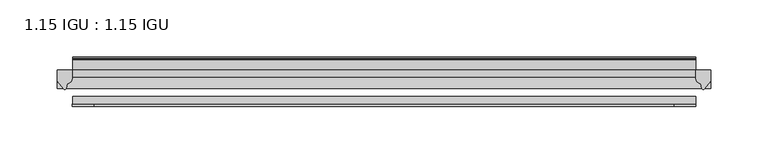
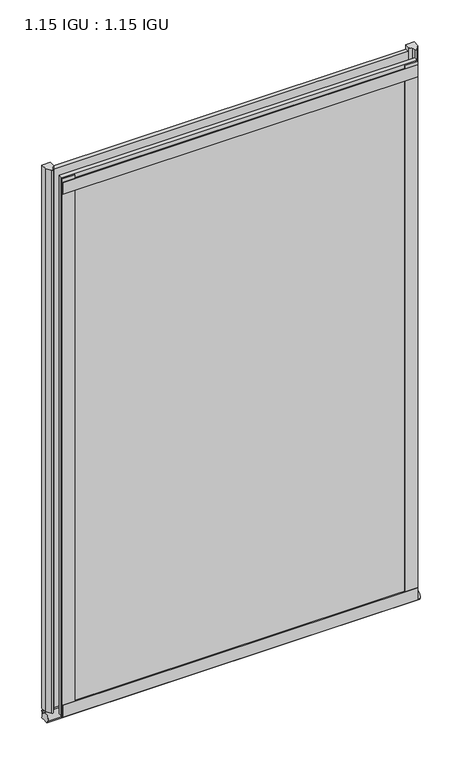
"""IFC4 building model written with IfcOpenShell, lengths in millimetres: plate geometry, 1.15 IGU : 1.15 IGU."""

from ifc_helpers import new_model, si_unit, point, frame, frame_2d, origin, place, context, project, spatial, polyline, circle_curve, ellipse_curve, trimmed, segment, composite_curve, outline, extrude, source, transform, mapped, element, save
from ifc_brep_helpers import plane_surface, revolved_surface, extruded_surface, advanced_brep


def plate_1_15_igu_1_15_igu_f3e3d183(model_context):
    return source(origin(), model_context, "Body", "SolidModel", [
        extrude(outline(polyline([(303.3484536, 0.0), (303.3484536, -6.2992), (-239.2642536, -6.2992), (-239.2642536, 0.0), (303.3484536, 0.0)])), frame((0.0, 0.0, -19.05), z_axis=(0.0, 0.0, 1.0), x_axis=(1.0, 0.0, 0.0)), (0.0, 0.0, 1.0), 869.9368072),
        extrude(outline(polyline([(-239.2642536, -23.1648), (303.3484536, -23.1648), (303.3484536, -29.464), (-239.2642536, -29.464), (-239.2642536, -23.1648)])), frame((0.0, 0.0, -19.05), z_axis=(0.0, 0.0, 1.0), x_axis=(1.0, 0.0, 0.0)), (0.0, 0.0, 1.0), 869.9368072),
        advanced_brep(
        [(316.0484536, -2.9334208, -29.3692082), (316.0484536, -15.7658436, -30.8313288), (316.0484536, -6.7904952, -34.925), (316.0484536, 0.0, -34.925), (316.0484536, 0.0, -22.225), (316.0484536, -2.5187477, -22.225), (-252.5484536, -2.9073519, -29.3720514), (-252.5484536, -2.5187477, -22.225), (-252.5484536, 0.0, -22.225), (-252.5484536, 0.0, -34.925), (-252.5484536, -6.7904952, -34.925), (-252.5484536, -15.7658436, -30.8313288)],
        [
            (0, 1, ellipse_curve(frame((316.0484536, -9.5065066, -28.575), z_axis=(1.0, 0.0, 0.0), x_axis=(0.0, 0.0, -1.0)), 6.9638038, 6.6162554)),
            (1, 2, ellipse_curve(frame((316.0484536, -9.5065066, -28.575), z_axis=(1.0, 0.0, 0.0), x_axis=(0.0, 0.0, -1.0)), 6.9638038, 6.6162554)),
            (2, 3),
            (3, 4, circle_curve(frame((316.0484536, 24.1576838, -28.575), z_axis=(-1.0, 0.0, 0.0), x_axis=(0.0, 0.0, 1.0)), 24.9783143)),
            (4, 5),
            (5, 0, circle_curve(frame((316.0484536, -68.4358767, -22.225), z_axis=(-1.0, 0.0, 0.0), x_axis=(0.0, 0.0, 1.0)), 65.917129)),
            (6, 7, circle_curve(frame((-252.5484536, -68.4358767, -22.225), z_axis=(1.0, 0.0, 0.0), x_axis=(0.0, 0.0, 1.0)), 65.917129)),
            (7, 8),
            (8, 9, circle_curve(frame((-252.5484536, 24.1576838, -28.575), z_axis=(1.0, 0.0, 0.0), x_axis=(0.0, 0.0, 1.0)), 24.9783143)),
            (9, 10),
            (10, 11, ellipse_curve(frame((-252.5484536, -9.5065066, -28.575), z_axis=(-1.0, 0.0, 0.0), x_axis=(0.0, 0.0, -1.0)), 6.9638038, 6.6162554)),
            (11, 6, ellipse_curve(frame((-252.5484536, -9.5065066, -28.575), z_axis=(-1.0, 0.0, 0.0), x_axis=(0.0, 0.0, -1.0)), 6.9638038, 6.6162554)),
            (0, 6),
            (11, 1),
            (10, 2),
            (9, 3),
            (8, 4),
            (7, 5),
        ],
        [
            plane_surface(frame((316.0484536, 0.0, -28.575), z_axis=(1.0, 0.0, 0.0), x_axis=(0.0, 1.0, 0.0))),
            plane_surface(frame((-252.5484536, 0.0, -28.575), z_axis=(-1.0, 0.0, 0.0), x_axis=(0.0, 1.0, 0.0))),
            extruded_surface(trimmed(ellipse_curve(frame((-252.5484536, -9.5065066, -28.575), z_axis=(1.0, 0.0, 0.0), x_axis=(0.0, 0.0, -1.0)), 6.9638038, 6.6162554), [point((-252.5484536, -2.9334208, -29.3692082))], [point((-252.5484536, -15.7658436, -30.8313288))], True, "CARTESIAN"), (568.5969072, 0.0, 0.0), 568.5969072),
            extruded_surface(trimmed(ellipse_curve(frame((-252.5484536, -9.5065066, -28.575), z_axis=(1.0, 0.0, 0.0), x_axis=(0.0, 0.0, -1.0)), 6.9638038, 6.6162554), [point((-252.5484536, -15.7658436, -30.8313288))], [point((-252.5484536, -6.7904952, -34.925))], True, "CARTESIAN"), (568.5969072, 0.0, 0.0), 568.5969072),
            plane_surface(frame((316.0484536, -6.7904952, -34.925), z_axis=(0.0, 0.0, -1.0), x_axis=(-1.0, 0.0, 0.0))),
            revolved_surface(polyline([(-252.54845360000002, 24.1576838, -3.5966856999999983), (316.0484536, 24.1576838, -3.5966856999999983)]), (316.0484536, 24.1576838, -28.575), (-1.0, 0.0, 0.0)),
            plane_surface(frame((316.0484536, 0.0, -22.225), z_axis=(0.0, 0.0, 1.0), x_axis=(-1.0, 0.0, 0.0))),
            revolved_surface(polyline([(-252.54845360000002, -68.4358767, 43.692129), (316.0484536, -68.4358767, 43.692129)]), (316.0484536, -68.4358767, -22.225), (-1.0, 0.0, 0.0)),
        ],
        [
            (0, [[1, 2, 3, 4, 5, 6]]),
            (1, [[7, 8, 9, 10, 11, 12]]),
            (2, [[-1, 13, -12, 14]]),
            (3, [[-2, -14, -11, 15]]),
            (4, [[-3, -15, -10, 16]]),
            (5, [[-4, -16, -9, 17]]),
            (6, [[-5, -17, -8, 18]]),
            (7, [[-6, -18, -7, -13]]),
        ],
    ),
        extrude(outline(composite_curve([segment(polyline([(316.0484536, 0.0), (316.0484536, -9.7395025), (310.4822227, -16.3730781)]), True, "CONTINUOUS"), segment(trimmed(circle_curve(frame_2d((309.5285477, -15.7728374)), 1.1268473), [point((310.4822227, -16.3730781))], [point((308.4275948, -16.0130197))], False, "CARTESIAN"), True, "CONTINUOUS"), segment(polyline([(308.4275948, -16.0130197), (307.4474033, -11.7377885)]), True, "CONTINUOUS"), segment(trimmed(circle_curve(frame_2d((307.3199515, -7.7683362)), 3.9714979), [point((307.4474033, -11.7377885))], [point((303.3486322, -7.8060014))], False, "CARTESIAN"), True, "CONTINUOUS"), segment(polyline([(303.3486322, -7.8060014), (303.3486322, 0.0), (316.0484536, 0.0)]), True, "CONTINUOUS")], self_intersect=False)), frame((0.0, 0.0, -19.05), z_axis=(0.0, 0.0, 1.0), x_axis=(1.0, 0.0, 0.0)), (0.0, 0.0, 1.0), 877.0742072),
        extrude(outline(composite_curve([segment(polyline([(-239.8484536, 8.8e-06), (-239.8484536, -7.7683362)]), True, "CONTINUOUS"), segment(trimmed(circle_curve(frame_2d((-243.8199515, -7.7683362)), 3.9714979), [point((-239.8484536, -7.7683362))], [point((-243.9474033, -11.7377885))], False, "CARTESIAN"), True, "CONTINUOUS"), segment(polyline([(-243.9474033, -11.7377885), (-244.9274379, -16.012436)]), True, "CONTINUOUS"), segment(trimmed(circle_curve(frame_2d((-246.0286469, -15.7723555)), 1.1270758), [point((-244.9274379, -16.012436))], [point((-246.9824863, -16.372764))], False, "CARTESIAN"), True, "CONTINUOUS"), segment(polyline([(-246.9824863, -16.372764), (-252.5484536, -9.7395025), (-252.5484536, 8.8e-06), (-239.8484536, 8.8e-06)]), True, "CONTINUOUS")], self_intersect=False)), frame((0.0, 0.0, -19.05), z_axis=(0.0, 0.0, 1.0), x_axis=(1.0, 0.0, 0.0)), (0.0, 0.0, 1.0), 877.0742072),
        extrude(outline(polyline([(-239.2642536, -31.75), (-239.2642536, -29.464), (303.3484536, -29.464), (303.3484536, -31.75), (-239.2642536, -31.75)])), frame((0.0, 0.0, -19.05), z_axis=(0.0, 0.0, 1.0), x_axis=(1.0, 0.0, 0.0)), (0.0, 0.0, 1.0), 19.05),
        extrude(outline(composite_curve([segment(polyline([(8.509, 840.7300284), (8.509, 838.6980284), (6.35, 838.6980284), (6.35, 833.3640284), (8.9492698, 833.3640284)]), True, "CONTINUOUS"), segment(trimmed(circle_curve(frame_2d((8.208689, 831.8368072)), 1.697311), [point((8.9492698, 833.3640284))], [point((8.962411, 830.3160284))], False, "CARTESIAN"), True, "CONTINUOUS"), segment(polyline([(8.962411, 830.3160284), (6.35, 830.3160284), (6.35, 825.4868072), (11.1252, 825.4868072), (11.1252, 824.5978072)]), True, "CONTINUOUS"), segment(trimmed(circle_curve(frame_2d((10.1092, 824.5978072)), 1.016), [point((11.1252, 824.5978072))], [point((10.1092, 823.5818072))], False, "CARTESIAN"), True, "CONTINUOUS"), segment(trimmed(circle_curve(frame_2d((10.1092, 804.1707318)), 19.4110754), [point((10.1092, 823.5818072))], [point((0.0, 820.7416075))], True, "CARTESIAN"), True, "CONTINUOUS"), segment(polyline([(0.0, 820.7416075), (0.0, 840.7300284), (8.509, 840.7300284)]), True, "CONTINUOUS")], self_intersect=False)), frame((-239.2642536, 0.0, 0.0), z_axis=(1.0, 0.0, 0.0), x_axis=(0.0, 1.0, 0.0)), (0.0, 0.0, 1.0), 542.6127072),
        extrude(outline(polyline([(-239.2642536, -31.75), (-239.2642536, -29.464), (303.3484536, -29.464), (303.3484536, -31.75), (-239.2642536, -31.75)])), frame((0.0, 0.0, 825.4868072), z_axis=(0.0, 0.0, 1.0), x_axis=(1.0, 0.0, 0.0)), (0.0, 0.0, 1.0), 19.05),
        extrude(outline(polyline([(284.2984536, -29.464), (303.3484536, -29.464), (303.3484536, -31.75), (284.2984536, -31.75), (284.2984536, -29.464)])), frame((0.0, 0.0, -19.05), z_axis=(0.0, 0.0, 1.0), x_axis=(1.0, 0.0, 0.0)), (0.0, 0.0, 1.0), 869.9368072),
        extrude(outline(polyline([(-239.8484536, -31.75), (-239.8484536, -29.464), (-220.7984536, -29.464), (-220.7984536, -31.75), (-239.8484536, -31.75)])), frame((0.0, 0.0, -19.05), z_axis=(0.0, 0.0, 1.0), x_axis=(1.0, 0.0, 0.0)), (0.0, 0.0, 1.0), 869.9368072),
    ])


if __name__ == "__main__":
    model = new_model("IFC4")
    model_context = context("Model", 3, world=origin())
    ifc_project = project(units=[si_unit("LENGTHUNIT", "METRE", prefix="MILLI")], contexts=[model_context])
    site = spatial("IfcSite", under=ifc_project)
    building = spatial("IfcBuilding", under=site)
    placement = place(None, origin())
    plate_1_15_igu_1_15_igu_shape = plate_1_15_igu_1_15_igu_f3e3d183(model_context)
    element("IfcPlate", 1, ObjectType="1.15 IGU : 1.15 IGU", at=placement, inside=building, context=model_context, shape_type="MappedRepresentation", body=[
        mapped(plate_1_15_igu_1_15_igu_shape, transform((0.0, 0.0, 0.0), x_axis=(1.0, 0.0, 0.0), y_axis=(0.0, 1.0, 0.0), z_axis=(0.0, 0.0, 1.0))),
    ])
    save(model, "model.ifc")
